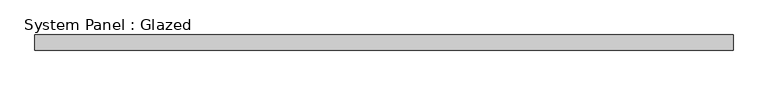
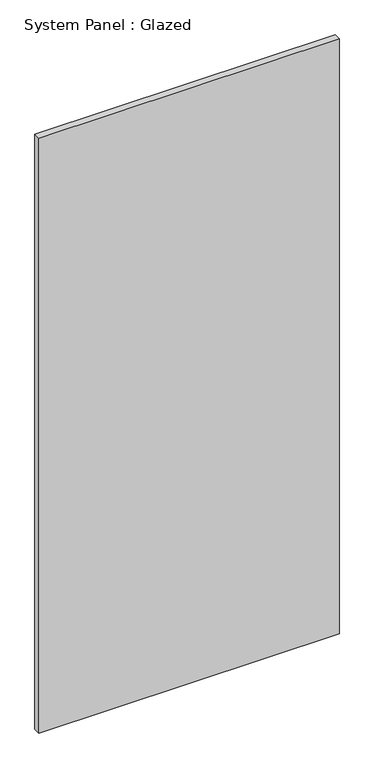
"""IFC4 building model written with IfcOpenShell, lengths in millimetres: plate geometry, System Panel : Glazed."""

from ifc_helpers import new_model, si_unit, origin, origin_with_axes, place, context, project, spatial, polyline, outline, extrude, source, transform, mapped, element, save


def system_panel_glazed_8087a00d(model_context):
    return source(origin(), model_context, "Body", "SweptSolid", [
        extrude(outline(polyline([(574.3194, -12.7), (-574.3194, -12.7), (-574.3194, 12.7), (574.3194, 12.7), (574.3194, -12.7)])), origin_with_axes(), (0.0, 0.0, 1.0), 2405.8832375),
    ])


if __name__ == "__main__":
    model = new_model("IFC4")
    model_context = context("Model", 3, world=origin())
    ifc_project = project(units=[si_unit("LENGTHUNIT", "METRE", prefix="MILLI")], contexts=[model_context])
    site = spatial("IfcSite", under=ifc_project)
    building = spatial("IfcBuilding", under=site)
    placement = place(None, origin())
    system_panel_glazed_shape = system_panel_glazed_8087a00d(model_context)
    element("IfcPlate", 1, ObjectType="System Panel : Glazed", at=placement, inside=building, context=model_context, shape_type="MappedRepresentation", body=[
        mapped(system_panel_glazed_shape, transform((0.0, 0.0, 0.0), x_axis=(1.0, 0.0, 0.0), y_axis=(0.0, 1.0, 0.0), z_axis=(0.0, 0.0, 1.0))),
    ])
    save(model, "model.ifc")
